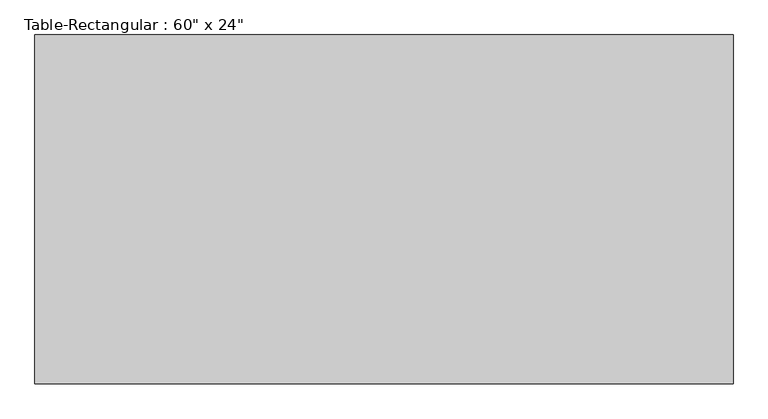
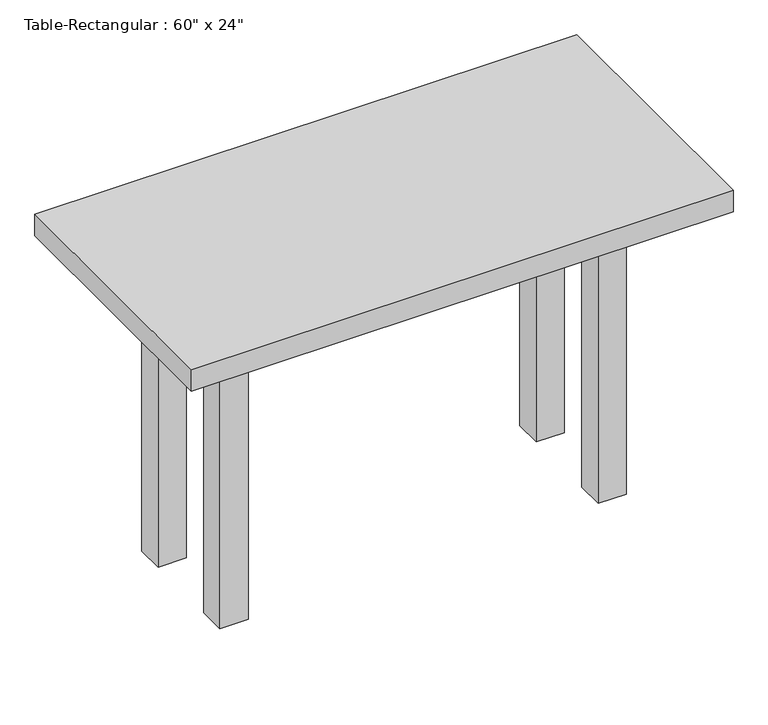
"""IFC4 building model written with IfcOpenShell, lengths in millimetres: furniture geometry."""

from ifc_helpers import new_model, si_unit, frame, origin, origin_with_axes, place, context, project, spatial, polyline, outline, extrude, source, transform, mapped, element, save


def furniture_caa8191a(model_context):
    return source(origin(), model_context, "Body", "SweptSolid", [
        extrude(outline(polyline([(393.7, -114.3), (-393.7, -114.3), (-393.7, -88.9), (393.7, -88.9), (393.7, -114.3)])), frame((0.0, 0.0, 609.6), z_axis=(0.0, 0.0, 1.0), x_axis=(1.0, 0.0, 0.0)), (0.0, 0.0, 1.0), 101.6),
        extrude(outline(polyline([(393.7, 114.3), (393.7, 88.9), (-393.7, 88.9), (-393.7, 114.3), (393.7, 114.3)])), frame((0.0, 0.0, 609.6), z_axis=(0.0, 0.0, 1.0), x_axis=(1.0, 0.0, 0.0)), (0.0, 0.0, 1.0), 101.6),
        extrude(outline(polyline([(-406.4, 88.9), (-406.4, -88.9), (-431.8, -88.9), (-431.8, 88.9), (-406.4, 88.9)])), frame((0.0, 0.0, 609.6), z_axis=(0.0, 0.0, 1.0), x_axis=(1.0, 0.0, 0.0)), (0.0, 0.0, 1.0), 101.6),
        extrude(outline(polyline([(406.4, 88.9), (431.8, 88.9), (431.8, -88.9), (406.4, -88.9), (406.4, 88.9)])), frame((0.0, 0.0, 609.6), z_axis=(0.0, 0.0, 1.0), x_axis=(1.0, 0.0, 0.0)), (0.0, 0.0, 1.0), 101.6),
        extrude(outline(polyline([(609.6, -304.8), (-609.6, -304.8), (-609.6, 304.8), (609.6, 304.8), (609.6, -304.8)])), frame((0.0, 0.0, 711.2), z_axis=(0.0, 0.0, 1.0), x_axis=(1.0, 0.0, 0.0)), (0.0, 0.0, 1.0), 50.8),
        extrude(outline(polyline([(-393.7, -152.4), (-457.2, -152.4), (-457.2, -88.9), (-393.7, -88.9), (-393.7, -152.4)])), origin_with_axes(), (0.0, 0.0, 1.0), 711.2),
        extrude(outline(polyline([(393.7, -152.4), (393.7, -88.9), (457.2, -88.9), (457.2, -152.4), (393.7, -152.4)])), origin_with_axes(), (0.0, 0.0, 1.0), 711.2),
        extrude(outline(polyline([(-393.7, 152.4), (-393.7, 88.9), (-457.2, 88.9), (-457.2, 152.4), (-393.7, 152.4)])), origin_with_axes(), (0.0, 0.0, 1.0), 711.2),
        extrude(outline(polyline([(393.7, 152.4), (457.2, 152.4), (457.2, 88.9), (393.7, 88.9), (393.7, 152.4)])), origin_with_axes(), (0.0, 0.0, 1.0), 711.2),
    ])


if __name__ == "__main__":
    model = new_model("IFC4")
    model_context = context("Model", 3, world=origin())
    ifc_project = project(units=[si_unit("LENGTHUNIT", "METRE", prefix="MILLI")], contexts=[model_context])
    site = spatial("IfcSite", under=ifc_project)
    building = spatial("IfcBuilding", under=site)
    placement = place(None, origin())
    furniture_shape = furniture_caa8191a(model_context)
    element("IfcFurniture", 1, ObjectType="Table-Rectangular : 60\" x 24\"", at=placement, inside=building, context=model_context, shape_type="MappedRepresentation", body=[
        mapped(furniture_shape, transform((0.0, 0.0, 0.0), x_axis=(1.0, 0.0, 0.0), y_axis=(0.0, 1.0, 0.0), z_axis=(0.0, 0.0, 1.0))),
    ])
    save(model, "model.ifc")
